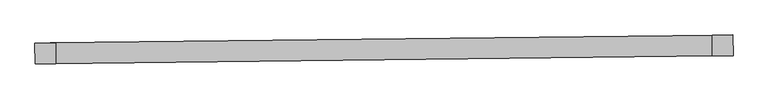
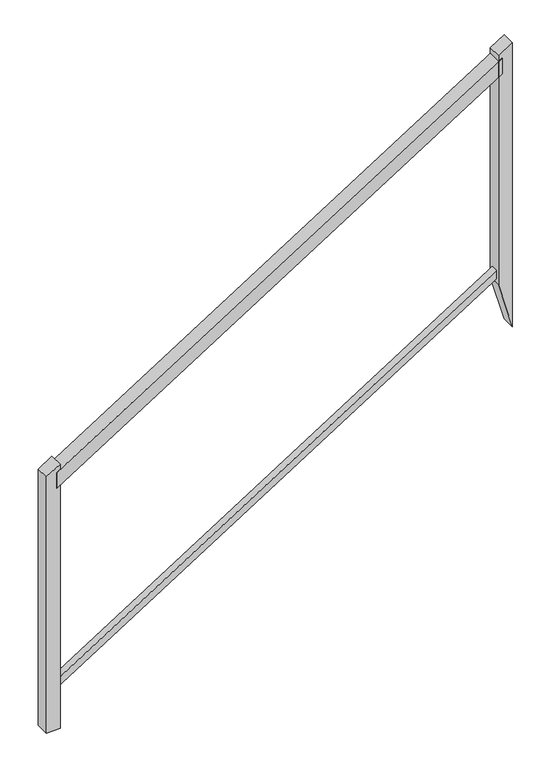
"""IFC4 building model written with IfcOpenShell, lengths in millimetres: railing geometry."""

import ifcopenshell
import ifcopenshell.guid

model = None  # the IFC model being written
_history = None  # IfcOwnerHistory: only IFC2X3 demands one
_inside = {}  # id of a spatial element -> (the spatial element, [elements in it])
_under = {}  # id of a project, library or spatial element -> (it, [spatial elements below it])
_declared = {}  # id of a project -> (the project, [libraries it declares])
_typed = {}  # id of a type object -> (the type object, [elements of that type])
_made_of = {}  # id of a material, layer set ... -> (it, [elements and type objects made of it])


def new_model(schema):
    """Start an empty IFC model of exactly this schema.

    Asked for "IFC4X3", IfcOpenShell would pick the latest addendum, in which some entities
    have other attributes; the version numbers below select the first issue.
    IFC2X3 requires an IfcOwnerHistory on every rooted entity: one is made here for all.
    """
    global model, _history
    if schema == "IFC4X3":
        model = ifcopenshell.file(schema_version=(4, 3, 0, 0))
    else:
        model = ifcopenshell.file(schema=schema)
    _inside.clear()
    _under.clear()
    _declared.clear()
    _typed.clear()
    _made_of.clear()
    _history = None
    if model.schema == "IFC2X3":
        org = make("IfcOrganization", Name="unknown")
        user = make(
            "IfcPersonAndOrganization",
            ThePerson=make("IfcPerson", FamilyName="unknown"),
            TheOrganization=org,
        )
        app = make(
            "IfcApplication",
            ApplicationDeveloper=org,
            Version="unknown",
            ApplicationFullName="unknown",
            ApplicationIdentifier="unknown",
        )
        _history = make(
            "IfcOwnerHistory",
            OwningUser=user,
            OwningApplication=app,
            ChangeAction="ADDED",
            CreationDate=0,
        )
    return model


def make(cls, **values):
    """One entity of the class cls with the attributes given. An attribute that is None is left unset."""
    return model.create_entity(
        cls, **{name: value for name, value in values.items() if value is not None}
    )


def rooted(cls, **values):
    """An entity with a GlobalId (a new one), such as an element, a storey or a relation."""
    return make(cls, GlobalId=ifcopenshell.guid.new(), OwnerHistory=_history, **values)


def si_unit(unit_type, name, prefix=None):
    """IfcSIUnit, for example si_unit("LENGTHUNIT", "METRE", prefix="MILLI")."""
    return make("IfcSIUnit", UnitType=unit_type, Prefix=prefix, Name=name)


def assignment(units):
    """IfcUnitAssignment: the units of a project."""
    return None if units is None else make("IfcUnitAssignment", Units=units)


def point(xyz):
    """IfcCartesianPoint."""
    return None if xyz is None else make("IfcCartesianPoint", Coordinates=xyz)


def direction(xyz):
    """IfcDirection."""
    return None if xyz is None else make("IfcDirection", DirectionRatios=xyz)


def frame(location, z_axis=None, x_axis=None):
    """IfcAxis2Placement3D, a coordinate frame: its origin and axes. An axis left out is left unset."""
    return make(
        "IfcAxis2Placement3D",
        Location=point(location),
        Axis=direction(z_axis),
        RefDirection=direction(x_axis),
    )


def origin():
    """The frame at (0, 0, 0) with its axes left unset."""
    return frame((0.0, 0.0, 0.0))


def place(relative_to, where):
    """IfcLocalPlacement: puts the frame where relative to a parent placement (None: the world)."""
    return make(
        "IfcLocalPlacement", PlacementRelTo=relative_to, RelativePlacement=where
    )


def context(
    kind, dimensions, precision=None, world=None, true_north=None, identifier=None
):
    """IfcGeometricRepresentationContext, for example the 3D "Model" context."""
    return make(
        "IfcGeometricRepresentationContext",
        ContextIdentifier=identifier,
        ContextType=kind,
        CoordinateSpaceDimension=dimensions,
        Precision=precision,
        WorldCoordinateSystem=world,
        TrueNorth=true_north,
    )


def project(units=None, contexts=None):
    """IfcProject with its units and contexts."""
    return rooted(
        "IfcProject",
        Name="project",
        RepresentationContexts=contexts,
        UnitsInContext=assignment(units),
    )


def spatial(cls, under=None, at=None, **own):
    """A site, building, storey or space (cls), placed at a placement, below another one or the project."""
    s = rooted(cls, ObjectPlacement=at, **own)
    if under is not None:
        _under.setdefault(under.id(), (under, []))[1].append(s)
    return s


def polyline(points):
    """IfcPolyline through the points."""
    return make("IfcPolyline", Points=[point(p) for p in points])


def outline(outer, holes=None, kind="AREA"):
    """IfcArbitraryClosedProfileDef: a profile drawn as a closed curve; with holes, ...WithVoids."""
    if holes is None:
        return make("IfcArbitraryClosedProfileDef", ProfileType=kind, OuterCurve=outer)
    return make(
        "IfcArbitraryProfileDefWithVoids",
        ProfileType=kind,
        OuterCurve=outer,
        InnerCurves=holes,
    )


def extrude(swept, where, along, depth):
    """IfcExtrudedAreaSolid: the profile swept, set in the frame where, extruded along a direction by depth."""
    return make(
        "IfcExtrudedAreaSolid",
        SweptArea=swept,
        Position=where,
        ExtrudedDirection=direction(along),
        Depth=depth,
    )


def shape(context_of_items, identifier, shape_type, items):
    """IfcShapeRepresentation: the items that make up one representation, for example the "Body"."""
    return make(
        "IfcShapeRepresentation",
        ContextOfItems=context_of_items,
        RepresentationIdentifier=identifier,
        RepresentationType=shape_type,
        Items=items,
    )


def source(mapping_origin, context_of_items, identifier, shape_type, items):
    """IfcRepresentationMap: a shape defined once, which mapped items show again and again."""
    return make(
        "IfcRepresentationMap",
        MappingOrigin=mapping_origin,
        MappedRepresentation=shape(context_of_items, identifier, shape_type, items),
    )


def transform(
    local_origin,
    x_axis=None,
    y_axis=None,
    z_axis=None,
    scale=None,
    scale2=None,
    scale3=None,
    uniform=True,
):
    """IfcCartesianTransformationOperator3D, or its non-uniform kind. x_axis, y_axis, z_axis: its Axis1, 2, 3."""
    if uniform:
        return make(
            "IfcCartesianTransformationOperator3D",
            Axis1=direction(x_axis),
            Axis2=direction(y_axis),
            LocalOrigin=point(local_origin),
            Scale=scale,
            Axis3=direction(z_axis),
        )
    return make(
        "IfcCartesianTransformationOperator3DnonUniform",
        Axis1=direction(x_axis),
        Axis2=direction(y_axis),
        LocalOrigin=point(local_origin),
        Scale=scale,
        Axis3=direction(z_axis),
        Scale2=scale2,
        Scale3=scale3,
    )


def mapped(mapping_source, mapping_target):
    """IfcMappedItem: shows the shape of a source again, moved by a transform."""
    return make(
        "IfcMappedItem", MappingSource=mapping_source, MappingTarget=mapping_target
    )


def made_of(thing, what):
    """Note that an element or type object is made of a material, layer set ...; save() writes the relation."""
    if what is not None:
        _made_of.setdefault(what.id(), (what, []))[1].append(thing)
    return thing


def element(
    cls,
    number,
    at=None,
    inside=None,
    cuts=None,
    type_object=None,
    material=None,
    context=None,
    identifier="Body",
    shape_type=None,
    held_by="IfcProductDefinitionShape",
    body=None,
    shapes=None,
    **own,
):
    """One element of the class cls, such as IfcWall. Its Tag is "e" and its number.

    at: its placement. inside: the storey or other place that contains it. cuts: it is an
    opening in that element (IfcRelVoidsElement). A single representation is given by context,
    identifier, shape_type and body (its items); several are given by shapes. held_by: the class
    of the entity that holds the representations. save() writes the other relations.
    """
    e = rooted(cls, Tag="e%d" % number, ObjectPlacement=at, **own)
    if body is not None:
        shapes = [shape(context, identifier, shape_type, body)]
    if shapes is not None:
        e.Representation = make(held_by, Representations=shapes)
    if inside is not None:
        _inside.setdefault(inside.id(), (inside, []))[1].append(e)
    if cuts is not None:
        rooted(
            "IfcRelVoidsElement", RelatingBuildingElement=cuts, RelatedOpeningElement=e
        )
    if type_object is not None:
        _typed.setdefault(type_object.id(), (type_object, []))[1].append(e)
    return made_of(e, material)


def aggregate(whole, parts):
    """IfcRelAggregates: a whole, such as a stair, and the parts it consists of."""
    return rooted("IfcRelAggregates", RelatingObject=whole, RelatedObjects=parts)


def save(model, path):
    """Write the relations noted so far, then the file.

    IfcRelAggregates (storeys below a building ...), IfcRelContainedInSpatialStructure (elements
    in a storey), IfcRelDefinesByType, IfcRelAssociatesMaterial and IfcRelDeclares: one each for
    every whole, place, type object, material and project.
    """
    for whole, parts in _under.values():
        aggregate(whole, parts)
    for where, things in _inside.values():
        rooted(
            "IfcRelContainedInSpatialStructure",
            RelatedElements=things,
            RelatingStructure=where,
        )
    for kind, things in _typed.values():
        rooted("IfcRelDefinesByType", RelatedObjects=things, RelatingType=kind)
    for what, things in _made_of.values():
        rooted("IfcRelAssociatesMaterial", RelatedObjects=things, RelatingMaterial=what)
    for by, libraries in _declared.values():
        rooted("IfcRelDeclares", RelatingContext=by, RelatedDefinitions=libraries)
    model.write(path)


def railing_a41811ed(model_context):
    return source(origin(), model_context, "Body", "SweptSolid", [
        extrude(outline(polyline([(31.5258824, -50.8000001), (0.0, 0.0), (1920.7258628, 0.0), (1952.2517452, -50.8), (31.5258824, -50.8000001)])), frame((-19923.6416007, 119386.237253, 3122.339877), z_axis=(-0.011634463823806972, 0.9999323173352948, 0.0), x_axis=(0.8496212674091053, 0.009885556980446797, 0.5273006521229914)), (0.0, 0.0, 1.0), 50.8),
        extrude(outline(polyline([(15.7629411, -25.3999999), (0.0, 0.0), (1920.7258627, 0.0), (1936.4888039, -25.4), (15.7629411, -25.3999999)])), frame((-19923.7893583, 119398.9363934, 2339.6867021), z_axis=(-0.011634463823806968, 0.9999323173352948, 0.0), x_axis=(0.8496212674091052, 0.009885556980446795, 0.5273006521229915)), (0.0, 0.0, 1.0), 25.4),
        extrude(outline(polyline([(59.7873001, -1e-07), (524.8646256, -749.4136998), (575.6646256, -927.611245), (0.0, 0.0), (59.7873001, -1e-07)])), frame((-18253.6546375, 119405.667971, 4239.5779389), z_axis=(-0.01163446382380697, 0.9999323173352948, 0.0), x_axis=(-0.8496212674091062, -0.009885556980446806, -0.52730065212299)), (0.0, 0.0, 1.0), 50.8),
        extrude(outline(polyline([(59.7873001, -1e-07), (579.2507137, -837.0500503), (536.0870319, -863.8369234), (0.0, 0.0), (59.7873001, -1e-07)])), frame((-19910.9424602, 119386.3850107, 3211.0149977), z_axis=(-0.01163446382380697, 0.9999323173352948, 0.0), x_axis=(-0.8496212674091052, -0.009885556980446795, -0.5273006521229916)), (0.0, 0.0, 1.0), 50.8),
    ])


if __name__ == "__main__":
    model = new_model("IFC4")
    model_context = context("Model", 3, world=origin())
    ifc_project = project(units=[si_unit("LENGTHUNIT", "METRE", prefix="MILLI")], contexts=[model_context])
    site = spatial("IfcSite", under=ifc_project)
    building = spatial("IfcBuilding", under=site)
    placement = place(None, origin())
    railing_shape = railing_a41811ed(model_context)
    element("IfcRailing", 1, at=placement, inside=building, context=model_context, shape_type="MappedRepresentation", body=[
        mapped(railing_shape, transform((0.0, 0.0, 0.0), x_axis=(1.0, 0.0, 0.0), y_axis=(0.0, 1.0, 0.0), z_axis=(0.0, 0.0, 1.0))),
    ])
    save(model, "model.ifc")
